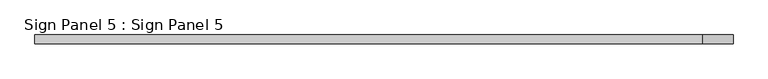
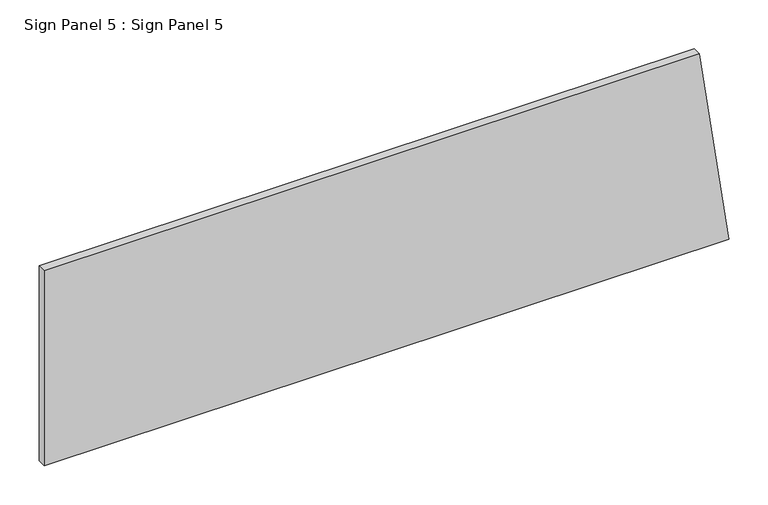
"""IFC4 building model written with IfcOpenShell, lengths in millimetres: geographic element geometry, Sign Panel 5 : Sign Panel 5."""

from ifc_helpers import new_model, si_unit, point, frame, frame_2d, origin, place, context, project, spatial, polyline, circle_curve, trimmed, segment, composite_curve, outline, extrude, source, transform, mapped, element, save


def sign_panel_5_sign_panel_5_9089896f(model_context):
    return source(origin(), model_context, "Body", "SweptSolid", [
        extrude(outline(composite_curve([segment(polyline([(2201.1592564, 229153.2228488), (2201.1592564, 230165.4968736)]), True, "CONTINUOUS"), segment(trimmed(circle_curve(frame_2d((1671.1640535, 225386.0853488)), 4808.7076682), [point((2201.1592564, 230165.4968736))], [point((2505.9592564, 230121.7781606))], False, "CARTESIAN"), True, "CONTINUOUS"), segment(polyline([(2505.9592564, 230121.7781606), (2505.9592564, 229153.2228488), (2201.1592564, 229153.2228488)]), True, "CONTINUOUS")], self_intersect=False)), frame((0.0, 158609.4721581, 0.0), z_axis=(0.0, 1.0, 0.0), x_axis=(0.0, 0.0, 1.0)), (0.0, 0.0, 1.0), 12.7),
    ])


if __name__ == "__main__":
    model = new_model("IFC4")
    model_context = context("Model", 3, world=origin())
    ifc_project = project(units=[si_unit("LENGTHUNIT", "METRE", prefix="MILLI")], contexts=[model_context])
    site = spatial("IfcSite", under=ifc_project)
    building = spatial("IfcBuilding", under=site)
    placement = place(None, origin())
    sign_panel_5_sign_panel_5_shape = sign_panel_5_sign_panel_5_9089896f(model_context)
    element("IfcGeographicElement", 1, ObjectType="Sign Panel 5 : Sign Panel 5", at=placement, inside=building, context=model_context, shape_type="MappedRepresentation", body=[
        mapped(sign_panel_5_sign_panel_5_shape, transform((0.0, 0.0, 0.0), x_axis=(1.0, 0.0, 0.0), y_axis=(0.0, 1.0, 0.0), z_axis=(0.0, 0.0, 1.0))),
    ])
    save(model, "model.ifc")
